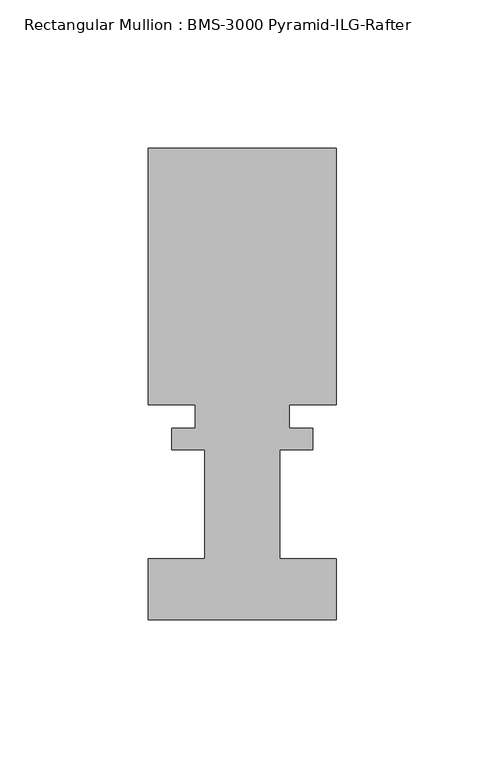
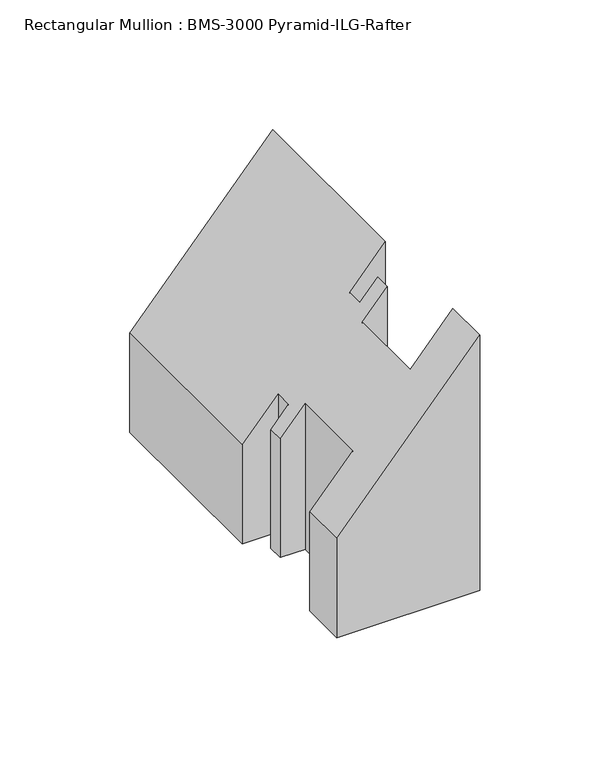
"""IFC4 building model written with IfcOpenShell, lengths in millimetres: member geometry, Rectangular Mullion : BMS-3000 Pyramid-ILG-Rafter."""

from ifc_helpers import new_model, si_unit, origin, place, context, project, spatial, faceted_brep, source, transform, mapped, element, save


def rectangular_mullion_bms_3000_pyramid_ilg_rafter_087e9ee7(model_context):
    return source(origin(), model_context, "Body", "Brep", [
        faceted_brep([(23.8252, 61.3362375, -224.8217928), (23.8252, 54.0742188, -224.8217928), (12.7, 54.0742188, -224.8217928), (12.7, 17.3180375, -224.8217928), (31.75, 17.2799375, -224.8217928), (31.75, -3.3575625, -224.8217928), (-31.75, -3.3575625, -224.8217928), (-31.75, 17.3180375, -224.8217928), (-12.7, 17.3180375, -224.8217928), (-12.7, 54.0742188, -224.8217928), (-23.8252, 54.0742188, -224.8217928), (-23.8252, 61.3362375, -224.8217928), (-15.875, 61.3362375, -224.8217928), (-15.875, 69.2356375, -224.8217928), (-31.75, 69.2356375, -224.8217928), (-31.75, 155.7734375, -224.8217928), (31.75, 155.7734375, -224.8217928), (31.75, 69.2356375, -224.8217928), (15.875, 69.2356375, -224.8217928), (15.875, 61.3362375, -224.8217928), (15.875, 61.3362375, -123.3130921), (23.8252, 61.3362375, -114.1329919), (15.875, 69.2356375, -123.3130921), (31.75, 69.2356375, -104.9822211), (31.75, 155.7734375, -104.9822211), (-31.75, 155.7734375, -178.3057053), (-31.75, 69.2356375, -178.3057053), (-15.875, 69.2356375, -159.9748342), (-15.875, 61.3362375, -159.9748342), (-23.8252, 61.3362375, -169.1549344), (-23.8252, 54.0742188, -169.1549344), (-12.7, 54.0742188, -156.30866), (-12.7, 17.3180375, -156.30866), (-31.75, 17.3180375, -178.3057053), (-31.75, -3.3575625, -178.3057053), (31.75, -3.3575625, -104.9822211), (31.75, 17.2799375, -104.9822211), (12.7, 17.3180375, -126.9792663), (12.7, 54.0742188, -126.9792663), (23.8252, 54.0742188, -114.1329919)], [[[0, 1, 2, 3, 4, 5, 6, 7, 8, 9, 10, 11, 12, 13, 14, 15, 16, 17, 18, 19]], [[20, 21, 0, 19]], [[22, 20, 19, 18]], [[23, 22, 18, 17]], [[24, 23, 17, 16]], [[25, 24, 16, 15]], [[26, 25, 15, 14]], [[27, 26, 14, 13]], [[28, 27, 13, 12]], [[29, 28, 12, 11]], [[30, 29, 11, 10]], [[31, 30, 10, 9]], [[32, 31, 9, 8]], [[33, 32, 8, 7]], [[34, 33, 7, 6]], [[35, 34, 6, 5]], [[36, 35, 5, 4]], [[37, 36, 4, 3]], [[38, 37, 3, 2]], [[39, 38, 2, 1]], [[21, 39, 1, 0]], [[21, 20, 22, 23, 24, 25, 26, 27, 28, 29, 30, 31, 32, 33, 34, 35, 36, 37, 38, 39]]]),
    ])


if __name__ == "__main__":
    model = new_model("IFC4")
    model_context = context("Model", 3, world=origin())
    ifc_project = project(units=[si_unit("LENGTHUNIT", "METRE", prefix="MILLI")], contexts=[model_context])
    site = spatial("IfcSite", under=ifc_project)
    building = spatial("IfcBuilding", under=site)
    placement = place(None, origin())
    rectangular_mullion_bms_3000_pyramid_ilg_rafter_shape = rectangular_mullion_bms_3000_pyramid_ilg_rafter_087e9ee7(model_context)
    element("IfcMember", 1, ObjectType="Rectangular Mullion : BMS-3000 Pyramid-ILG-Rafter", at=placement, inside=building, context=model_context, shape_type="MappedRepresentation", body=[
        mapped(rectangular_mullion_bms_3000_pyramid_ilg_rafter_shape, transform((0.0, 0.0, 0.0), x_axis=(1.0, 0.0, 0.0), y_axis=(0.0, 1.0, 0.0), z_axis=(0.0, 0.0, 1.0))),
    ])
    save(model, "model.ifc")
